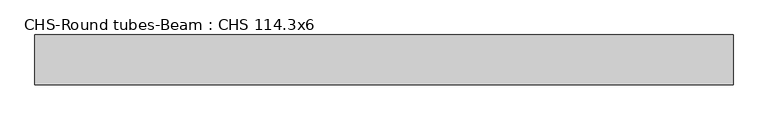
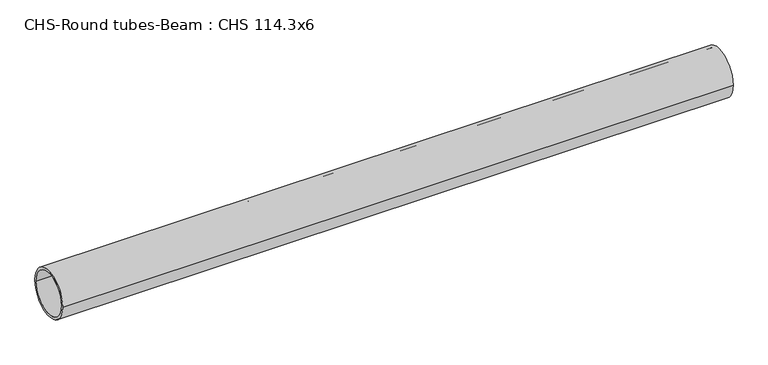
"""IFC4 building model written with IfcOpenShell, lengths in millimetres: beam geometry, CHS-Round tubes-Beam : CHS 114.3x6."""

import ifcopenshell
import ifcopenshell.guid

model = None  # the IFC model being written
_history = None  # IfcOwnerHistory: only IFC2X3 demands one
_inside = {}  # id of a spatial element -> (the spatial element, [elements in it])
_under = {}  # id of a project, library or spatial element -> (it, [spatial elements below it])
_declared = {}  # id of a project -> (the project, [libraries it declares])
_typed = {}  # id of a type object -> (the type object, [elements of that type])
_made_of = {}  # id of a material, layer set ... -> (it, [elements and type objects made of it])


def new_model(schema):
    """Start an empty IFC model of exactly this schema.

    Asked for "IFC4X3", IfcOpenShell would pick the latest addendum, in which some entities
    have other attributes; the version numbers below select the first issue.
    IFC2X3 requires an IfcOwnerHistory on every rooted entity: one is made here for all.
    """
    global model, _history
    if schema == "IFC4X3":
        model = ifcopenshell.file(schema_version=(4, 3, 0, 0))
    else:
        model = ifcopenshell.file(schema=schema)
    _inside.clear()
    _under.clear()
    _declared.clear()
    _typed.clear()
    _made_of.clear()
    _history = None
    if model.schema == "IFC2X3":
        org = make("IfcOrganization", Name="unknown")
        user = make(
            "IfcPersonAndOrganization",
            ThePerson=make("IfcPerson", FamilyName="unknown"),
            TheOrganization=org,
        )
        app = make(
            "IfcApplication",
            ApplicationDeveloper=org,
            Version="unknown",
            ApplicationFullName="unknown",
            ApplicationIdentifier="unknown",
        )
        _history = make(
            "IfcOwnerHistory",
            OwningUser=user,
            OwningApplication=app,
            ChangeAction="ADDED",
            CreationDate=0,
        )
    return model


def make(cls, **values):
    """One entity of the class cls with the attributes given. An attribute that is None is left unset."""
    return model.create_entity(
        cls, **{name: value for name, value in values.items() if value is not None}
    )


def rooted(cls, **values):
    """An entity with a GlobalId (a new one), such as an element, a storey or a relation."""
    return make(cls, GlobalId=ifcopenshell.guid.new(), OwnerHistory=_history, **values)


def si_unit(unit_type, name, prefix=None):
    """IfcSIUnit, for example si_unit("LENGTHUNIT", "METRE", prefix="MILLI")."""
    return make("IfcSIUnit", UnitType=unit_type, Prefix=prefix, Name=name)


def assignment(units):
    """IfcUnitAssignment: the units of a project."""
    return None if units is None else make("IfcUnitAssignment", Units=units)


def point(xyz):
    """IfcCartesianPoint."""
    return None if xyz is None else make("IfcCartesianPoint", Coordinates=xyz)


def direction(xyz):
    """IfcDirection."""
    return None if xyz is None else make("IfcDirection", DirectionRatios=xyz)


def frame(location, z_axis=None, x_axis=None):
    """IfcAxis2Placement3D, a coordinate frame: its origin and axes. An axis left out is left unset."""
    return make(
        "IfcAxis2Placement3D",
        Location=point(location),
        Axis=direction(z_axis),
        RefDirection=direction(x_axis),
    )


def frame_2d(location, x_axis=None):
    """IfcAxis2Placement2D, a coordinate frame in the plane: its origin and x axis."""
    return make(
        "IfcAxis2Placement2D", Location=point(location), RefDirection=direction(x_axis)
    )


def origin():
    """The frame at (0, 0, 0) with its axes left unset."""
    return frame((0.0, 0.0, 0.0))


def origin_2d():
    """The frame at (0, 0) in the plane with its x axis left unset."""
    return frame_2d((0.0, 0.0))


def place(relative_to, where):
    """IfcLocalPlacement: puts the frame where relative to a parent placement (None: the world)."""
    return make(
        "IfcLocalPlacement", PlacementRelTo=relative_to, RelativePlacement=where
    )


def context(
    kind, dimensions, precision=None, world=None, true_north=None, identifier=None
):
    """IfcGeometricRepresentationContext, for example the 3D "Model" context."""
    return make(
        "IfcGeometricRepresentationContext",
        ContextIdentifier=identifier,
        ContextType=kind,
        CoordinateSpaceDimension=dimensions,
        Precision=precision,
        WorldCoordinateSystem=world,
        TrueNorth=true_north,
    )


def project(units=None, contexts=None):
    """IfcProject with its units and contexts."""
    return rooted(
        "IfcProject",
        Name="project",
        RepresentationContexts=contexts,
        UnitsInContext=assignment(units),
    )


def spatial(cls, under=None, at=None, **own):
    """A site, building, storey or space (cls), placed at a placement, below another one or the project."""
    s = rooted(cls, ObjectPlacement=at, **own)
    if under is not None:
        _under.setdefault(under.id(), (under, []))[1].append(s)
    return s


def circle_curve(where, radius):
    """IfcCircle in the frame where."""
    return make("IfcCircle", Position=where, Radius=radius)


def trimmed(basis, trim1, trim2, sense, master):
    """IfcTrimmedCurve: the piece of a basis curve between two trims."""
    return make(
        "IfcTrimmedCurve",
        BasisCurve=basis,
        Trim1=trim1,
        Trim2=trim2,
        SenseAgreement=sense,
        MasterRepresentation=master,
    )


def segment(curve, same_sense, transition):
    """IfcCompositeCurveSegment."""
    return make(
        "IfcCompositeCurveSegment",
        Transition=transition,
        SameSense=same_sense,
        ParentCurve=curve,
    )


def composite_curve(segments, self_intersect=None):
    """IfcCompositeCurve: segments joined end to end."""
    return make("IfcCompositeCurve", Segments=segments, SelfIntersect=self_intersect)


def outline(outer, holes=None, kind="AREA"):
    """IfcArbitraryClosedProfileDef: a profile drawn as a closed curve; with holes, ...WithVoids."""
    if holes is None:
        return make("IfcArbitraryClosedProfileDef", ProfileType=kind, OuterCurve=outer)
    return make(
        "IfcArbitraryProfileDefWithVoids",
        ProfileType=kind,
        OuterCurve=outer,
        InnerCurves=holes,
    )


def extrude(swept, where, along, depth):
    """IfcExtrudedAreaSolid: the profile swept, set in the frame where, extruded along a direction by depth."""
    return make(
        "IfcExtrudedAreaSolid",
        SweptArea=swept,
        Position=where,
        ExtrudedDirection=direction(along),
        Depth=depth,
    )


def shape(context_of_items, identifier, shape_type, items):
    """IfcShapeRepresentation: the items that make up one representation, for example the "Body"."""
    return make(
        "IfcShapeRepresentation",
        ContextOfItems=context_of_items,
        RepresentationIdentifier=identifier,
        RepresentationType=shape_type,
        Items=items,
    )


def source(mapping_origin, context_of_items, identifier, shape_type, items):
    """IfcRepresentationMap: a shape defined once, which mapped items show again and again."""
    return make(
        "IfcRepresentationMap",
        MappingOrigin=mapping_origin,
        MappedRepresentation=shape(context_of_items, identifier, shape_type, items),
    )


def transform(
    local_origin,
    x_axis=None,
    y_axis=None,
    z_axis=None,
    scale=None,
    scale2=None,
    scale3=None,
    uniform=True,
):
    """IfcCartesianTransformationOperator3D, or its non-uniform kind. x_axis, y_axis, z_axis: its Axis1, 2, 3."""
    if uniform:
        return make(
            "IfcCartesianTransformationOperator3D",
            Axis1=direction(x_axis),
            Axis2=direction(y_axis),
            LocalOrigin=point(local_origin),
            Scale=scale,
            Axis3=direction(z_axis),
        )
    return make(
        "IfcCartesianTransformationOperator3DnonUniform",
        Axis1=direction(x_axis),
        Axis2=direction(y_axis),
        LocalOrigin=point(local_origin),
        Scale=scale,
        Axis3=direction(z_axis),
        Scale2=scale2,
        Scale3=scale3,
    )


def mapped(mapping_source, mapping_target):
    """IfcMappedItem: shows the shape of a source again, moved by a transform."""
    return make(
        "IfcMappedItem", MappingSource=mapping_source, MappingTarget=mapping_target
    )


def made_of(thing, what):
    """Note that an element or type object is made of a material, layer set ...; save() writes the relation."""
    if what is not None:
        _made_of.setdefault(what.id(), (what, []))[1].append(thing)
    return thing


def element(
    cls,
    number,
    at=None,
    inside=None,
    cuts=None,
    type_object=None,
    material=None,
    context=None,
    identifier="Body",
    shape_type=None,
    held_by="IfcProductDefinitionShape",
    body=None,
    shapes=None,
    **own,
):
    """One element of the class cls, such as IfcWall. Its Tag is "e" and its number.

    at: its placement. inside: the storey or other place that contains it. cuts: it is an
    opening in that element (IfcRelVoidsElement). A single representation is given by context,
    identifier, shape_type and body (its items); several are given by shapes. held_by: the class
    of the entity that holds the representations. save() writes the other relations.
    """
    e = rooted(cls, Tag="e%d" % number, ObjectPlacement=at, **own)
    if body is not None:
        shapes = [shape(context, identifier, shape_type, body)]
    if shapes is not None:
        e.Representation = make(held_by, Representations=shapes)
    if inside is not None:
        _inside.setdefault(inside.id(), (inside, []))[1].append(e)
    if cuts is not None:
        rooted(
            "IfcRelVoidsElement", RelatingBuildingElement=cuts, RelatedOpeningElement=e
        )
    if type_object is not None:
        _typed.setdefault(type_object.id(), (type_object, []))[1].append(e)
    return made_of(e, material)


def aggregate(whole, parts):
    """IfcRelAggregates: a whole, such as a stair, and the parts it consists of."""
    return rooted("IfcRelAggregates", RelatingObject=whole, RelatedObjects=parts)


def save(model, path):
    """Write the relations noted so far, then the file.

    IfcRelAggregates (storeys below a building ...), IfcRelContainedInSpatialStructure (elements
    in a storey), IfcRelDefinesByType, IfcRelAssociatesMaterial and IfcRelDeclares: one each for
    every whole, place, type object, material and project.
    """
    for whole, parts in _under.values():
        aggregate(whole, parts)
    for where, things in _inside.values():
        rooted(
            "IfcRelContainedInSpatialStructure",
            RelatedElements=things,
            RelatingStructure=where,
        )
    for kind, things in _typed.values():
        rooted("IfcRelDefinesByType", RelatedObjects=things, RelatingType=kind)
    for what, things in _made_of.values():
        rooted("IfcRelAssociatesMaterial", RelatedObjects=things, RelatingMaterial=what)
    for by, libraries in _declared.values():
        rooted("IfcRelDeclares", RelatingContext=by, RelatedDefinitions=libraries)
    model.write(path)


def chs_round_tubes_beam_chs_114_3x6_9d3f3952(model_context):
    return source(origin(), model_context, "Body", "SweptSolid", [
        extrude(outline(composite_curve([segment(trimmed(circle_curve(origin_2d(), 57.15), [point((57.15, 0.0))], [point((-57.15, 0.0))], False, "CARTESIAN"), True, "CONTINUOUS"), segment(trimmed(circle_curve(origin_2d(), 57.15), [point((-57.15, 0.0))], [point((57.15, 0.0))], False, "CARTESIAN"), True, "CONTINUOUS")], self_intersect=False), holes=[composite_curve([segment(trimmed(circle_curve(origin_2d(), 51.15), [point((51.15, 0.0))], [point((-51.15, 0.0))], True, "CARTESIAN"), True, "CONTINUOUS"), segment(trimmed(circle_curve(origin_2d(), 51.15), [point((-51.15, 0.0))], [point((51.15, 0.0))], True, "CARTESIAN"), True, "CONTINUOUS")], self_intersect=False)]), frame((-790.0858687, 0.0, 0.0), z_axis=(1.0, 0.0, 0.0), x_axis=(0.0, 1.0, 0.0)), (0.0, 0.0, 1.0), 1594.4509827),
    ])


if __name__ == "__main__":
    model = new_model("IFC4")
    model_context = context("Model", 3, world=origin())
    ifc_project = project(units=[si_unit("LENGTHUNIT", "METRE", prefix="MILLI")], contexts=[model_context])
    site = spatial("IfcSite", under=ifc_project)
    building = spatial("IfcBuilding", under=site)
    placement = place(None, origin())
    chs_round_tubes_beam_chs_114_3x6_shape = chs_round_tubes_beam_chs_114_3x6_9d3f3952(model_context)
    element("IfcBeam", 1, ObjectType="CHS-Round tubes-Beam : CHS 114.3x6", at=placement, inside=building, context=model_context, shape_type="MappedRepresentation", body=[
        mapped(chs_round_tubes_beam_chs_114_3x6_shape, transform((0.0, 0.0, 0.0), x_axis=(1.0, 0.0, 0.0), y_axis=(0.0, 1.0, 0.0), z_axis=(0.0, 0.0, 1.0))),
    ])
    save(model, "model.ifc")
